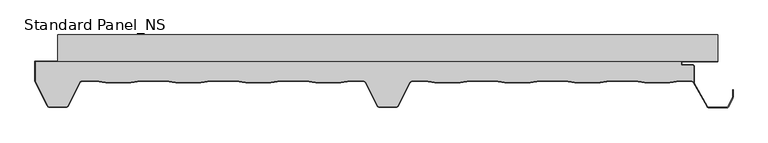
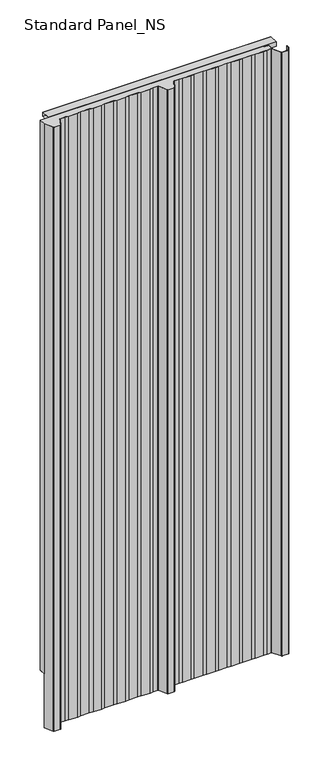
"""IFC4 building model written with IfcOpenShell, lengths in millimetres: proxy geometry, Standard Panel_NS."""

from ifc_helpers import new_model, si_unit, point, frame, frame_2d, origin, origin_with_axes, place, context, project, spatial, polyline, circle_curve, trimmed, segment, composite_curve, outline, extrude, source, transform, mapped, element, save


def standard_panel_ns_e2a60b35(model_context):
    return source(origin(), model_context, "Body", "SweptSolid", [
        extrude(outline(polyline([(-40.0, 0.0), (-40.0, 20.0), (0.0, 20.0), (0.0, 0.0), (-40.0, 0.0)]), holes=[polyline([(-0.9, 19.1), (-39.1, 19.1), (-39.1, 0.9), (-0.9, 0.9), (-0.9, 19.1)])]), frame((-499.5000907, 0.0, 0.0), z_axis=(1.0, 0.0, 0.0), x_axis=(0.0, 1.0, 0.0)), (0.0, 0.0, 1.0), 999.5000907),
        extrude(outline(polyline([(-40.0, 2549.5097568), (0.0, 2549.5097568), (0.0, 2529.5097568), (-40.0, 2529.5097568), (-40.0, 2549.5097568)]), holes=[polyline([(-0.9, 2548.6097568), (-39.1, 2548.6097568), (-39.1, 2530.4097568), (-0.9, 2530.4097568), (-0.9, 2548.6097568)])]), frame((-500.0, 0.0, 0.0), z_axis=(1.0, 0.0, 0.0), x_axis=(0.0, 1.0, 0.0)), (0.0, 0.0, 1.0), 1000.0),
        extrude(outline(composite_curve([segment(polyline([(463.3333678, -47.9776976), (463.3333678, -71.2827781)]), True, "CONTINUOUS"), segment(trimmed(circle_curve(frame_2d((460.1791882, -73.4020117)), 3.8), [point((463.3333678, -71.2827781))], [point((460.2255768, -69.6022949))], True, "CARTESIAN"), True, "CONTINUOUS"), segment(polyline([(460.2255768, -69.6022949), (442.3850007, -69.6022949), (427.5232716, -71.4), (389.5003906, -71.4), (374.6528383, -69.6040097), (336.3708239, -69.6040097), (321.5232716, -71.4), (283.5003906, -71.4), (268.6670151, -69.6057246), (230.356647, -69.6057246), (215.5232716, -71.4), (177.5003906, -71.4), (162.6811919, -69.6074394), (124.3424702, -69.6074394), (109.5232716, -71.4), (71.5003906, -71.4), (56.6929307, -69.6088594), (36.8490422, -69.6088594)]), True, "CONTINUOUS"), segment(trimmed(circle_curve(frame_2d((36.8490422, -73.4088594)), 3.8), [point((36.8490422, -69.6088594))], [point((33.4515652, -71.7067576))], True, "CARTESIAN"), True, "CONTINUOUS"), segment(polyline([(33.4515652, -71.7067576), (15.1133281, -107.389061)]), True, "CONTINUOUS"), segment(trimmed(circle_curve(frame_2d((13.1431912, -106.41)), 2.2), [point((15.1133281, -107.389061))], [point((13.1431912, -108.61))], False, "CARTESIAN"), True, "CONTINUOUS"), segment(polyline([(13.1431912, -108.61), (-13.1465337, -108.61)]), True, "CONTINUOUS"), segment(trimmed(circle_curve(frame_2d((-13.1465337, -106.41)), 2.2), [point((-13.1465337, -108.61))], [point((-15.1166702, -107.3890619))], False, "CARTESIAN"), True, "CONTINUOUS"), segment(polyline([(-15.1166702, -107.3890619), (-33.4593215, -71.697919)]), True, "CONTINUOUS"), segment(trimmed(circle_curve(frame_2d((-36.856799, -73.4000196)), 3.8), [point((-33.4593215, -71.697919))], [point((-36.856799, -69.6000196))], True, "CARTESIAN"), True, "CONTINUOUS"), segment(polyline([(-36.856799, -69.6000196), (-56.6231947, -69.6000196), (-71.5037331, -71.4), (-109.5266141, -71.4), (-124.4071525, -69.6000196), (-162.6231947, -69.6000196), (-177.5037331, -71.4), (-215.5266141, -71.4), (-230.4071525, -69.6000196), (-268.6231947, -69.6000196), (-283.5037331, -71.4), (-321.5266141, -71.4), (-336.4071525, -69.6000196), (-374.6231947, -69.6000196), (-389.5037331, -71.4), (-427.5266141, -71.4), (-442.4071525, -69.6000196), (-463.5629534, -69.6000196)]), True, "CONTINUOUS"), segment(trimmed(circle_curve(frame_2d((-463.5629534, -73.4000196)), 3.8), [point((-463.5629534, -69.6000196))], [point((-466.9621881, -71.7014308))], True, "CARTESIAN"), True, "CONTINUOUS"), segment(polyline([(-466.9621881, -71.7014308), (-484.8632284, -107.3198221)]), True, "CONTINUOUS"), segment(trimmed(circle_curve(frame_2d((-486.83184, -106.3376976)), 2.2), [point((-484.8632284, -107.3198221))], [point((-486.83184, -108.5376976))], False, "CARTESIAN"), True, "CONTINUOUS"), segment(polyline([(-486.83184, -108.5376976), (-513.1679785, -108.5376976)]), True, "CONTINUOUS"), segment(trimmed(circle_curve(frame_2d((-513.1679785, -106.3376976)), 2.2), [point((-513.1679785, -108.5376976))], [point((-515.1468491, -107.2989838))], False, "CARTESIAN"), True, "CONTINUOUS"), segment(polyline([(-515.1468491, -107.2989838), (-533.8689812, -69.987751), (-533.8689812, -40.8776976), (444.4044996, -40.8776976), (444.4044996, -45.8776976), (461.2333678, -45.8776976)]), True, "CONTINUOUS"), segment(trimmed(circle_curve(frame_2d((461.2333678, -47.9776976)), 2.1), [point((461.2333678, -45.8776976))], [point((463.3333678, -47.9776976))], False, "CARTESIAN"), True, "CONTINUOUS")], self_intersect=False)), origin_with_axes(), (0.0, 0.0, 1.0), 2549.5097568),
        extrude(outline(composite_curve([segment(polyline([(-321.5748232, -72.2), (-336.4553616, -70.4000196), (-374.5749856, -70.4000196), (-389.455524, -72.2), (-427.5748232, -72.2), (-442.4553616, -70.4000196), (-463.5629534, -70.4000196)]), True, "CONTINUOUS"), segment(trimmed(circle_curve(frame_2d((-463.5629534, -73.4000196)), 3.0), [point((-463.5629534, -70.4000196))], [point((-466.2469048, -72.0597193))], True, "CARTESIAN"), True, "CONTINUOUS"), segment(polyline([(-466.2469048, -72.0597193), (-484.1478886, -107.7003003)]), True, "CONTINUOUS"), segment(trimmed(circle_curve(frame_2d((-486.83184, -106.36)), 3.0), [point((-484.1478886, -107.7003003))], [point((-486.83184, -109.36))], False, "CARTESIAN"), True, "CONTINUOUS"), segment(polyline([(-486.83184, -109.36), (-513.1679785, -109.36)]), True, "CONTINUOUS"), segment(trimmed(circle_curve(frame_2d((-513.1679785, -106.36)), 3.0), [point((-513.1679785, -109.36))], [point((-515.8640556, -107.6757386))], False, "CARTESIAN"), True, "CONTINUOUS"), segment(polyline([(-515.8640556, -107.6757386), (-534.7689812, -69.9776976), (-533.8740229, -69.9776976), (-515.1468491, -107.3212862)]), True, "CONTINUOUS"), segment(trimmed(circle_curve(frame_2d((-513.1679785, -106.36)), 2.2), [point((-515.1468491, -107.3212862))], [point((-513.1679785, -108.56))], True, "CARTESIAN"), True, "CONTINUOUS"), segment(polyline([(-513.1679785, -108.56), (-486.83184, -108.56)]), True, "CONTINUOUS"), segment(trimmed(circle_curve(frame_2d((-486.83184, -106.36)), 2.2), [point((-486.83184, -108.56))], [point((-484.8632284, -107.3421244))], True, "CARTESIAN"), True, "CONTINUOUS"), segment(polyline([(-484.8632284, -107.3421244), (-466.9621881, -71.7014308)]), True, "CONTINUOUS"), segment(trimmed(circle_curve(frame_2d((-463.5629534, -73.4000196)), 3.8), [point((-466.9621881, -71.7014308))], [point((-463.5629534, -69.6000196))], False, "CARTESIAN"), True, "CONTINUOUS"), segment(polyline([(-463.5629534, -69.6000196), (-442.4071525, -69.6000196), (-427.5266141, -71.4), (-389.5037331, -71.4), (-374.6231947, -69.6000196), (-336.4071525, -69.6000196), (-321.5266141, -71.4), (-283.5037331, -71.4), (-268.6231947, -69.6000196), (-230.4071525, -69.6000196), (-215.5266141, -71.4), (-177.5037331, -71.4), (-162.6231947, -69.6000196), (-124.4071525, -69.6000196), (-109.5266141, -71.4), (-71.5037331, -71.4), (-56.6231947, -69.6000196), (-36.856799, -69.6000196)]), True, "CONTINUOUS"), segment(trimmed(circle_curve(frame_2d((-36.856799, -73.4000196)), 3.8), [point((-36.856799, -69.6000196))], [point((-33.4593215, -71.697919))], False, "CARTESIAN"), True, "CONTINUOUS"), segment(polyline([(-33.4593215, -71.697919), (-15.1166702, -107.3890619)]), True, "CONTINUOUS"), segment(trimmed(circle_curve(frame_2d((-13.1465337, -106.41)), 2.2), [point((-15.1166702, -107.3890619))], [point((-13.1465337, -108.61))], True, "CARTESIAN"), True, "CONTINUOUS"), segment(polyline([(-13.1465337, -108.61), (13.1431912, -108.61)]), True, "CONTINUOUS"), segment(trimmed(circle_curve(frame_2d((13.1431912, -106.41)), 2.2), [point((13.1431912, -108.61))], [point((15.1133281, -107.389061))], True, "CARTESIAN"), True, "CONTINUOUS"), segment(polyline([(15.1133281, -107.389061), (33.4515652, -71.7067576)]), True, "CONTINUOUS"), segment(trimmed(circle_curve(frame_2d((36.8490422, -73.4088594)), 3.8), [point((33.4515652, -71.7067576))], [point((36.8490422, -69.6088594))], False, "CARTESIAN"), True, "CONTINUOUS"), segment(polyline([(36.8490422, -69.6088594), (56.6929307, -69.6088594), (71.5003906, -71.4), (109.5232716, -71.4), (124.3424702, -69.6074394), (162.6811919, -69.6074394), (177.5003906, -71.4), (215.5232716, -71.4), (230.356647, -69.6057246), (268.6670151, -69.6057246), (283.5003906, -71.4), (321.5232716, -71.4), (336.3708239, -69.6040097), (374.6528383, -69.6040097), (389.5003906, -71.4), (427.5232716, -71.4), (442.3850007, -69.6022949), (460.1327996, -69.6022949)]), True, "CONTINUOUS"), segment(trimmed(circle_curve(frame_2d((460.1791882, -73.4020117)), 3.8), [point((460.1327996, -69.6022949))], [point((463.5049669, -71.5637527))], False, "CARTESIAN"), True, "CONTINUOUS"), segment(polyline([(463.5049669, -71.5637527), (484.4077107, -108.4591287)]), True, "CONTINUOUS"), segment(trimmed(circle_curve(frame_2d((486.3366684, -107.401243)), 2.2), [point((484.4077107, -108.4591287))], [point((486.3366684, -109.601243))], True, "CARTESIAN"), True, "CONTINUOUS"), segment(polyline([(486.3366684, -109.601243), (513.6856739, -109.601243)]), True, "CONTINUOUS"), segment(trimmed(circle_curve(frame_2d((513.6856739, -107.401243)), 2.2), [point((513.6856739, -109.601243))], [point((515.6539049, -108.3841299))], True, "CARTESIAN"), True, "CONTINUOUS"), segment(polyline([(515.6539049, -108.3841299), (522.1830897, -95.3094373)]), True, "CONTINUOUS"), segment(trimmed(circle_curve(frame_2d((520.2148587, -94.3265504)), 2.2), [point((522.1830897, -95.3094373))], [point((522.4148587, -94.3265504))], True, "CARTESIAN"), True, "CONTINUOUS"), segment(polyline([(522.4148587, -94.3265504), (522.4148587, -82.8571101), (523.2148587, -82.8571101), (523.2148587, -94.3265504)]), True, "CONTINUOUS"), segment(trimmed(circle_curve(frame_2d((520.2148587, -94.3265504)), 3.0), [point((523.2148587, -94.3265504))], [point((522.8988101, -95.6668507))], False, "CARTESIAN"), True, "CONTINUOUS"), segment(polyline([(522.8988101, -95.6668507), (516.3696253, -108.7415434)]), True, "CONTINUOUS"), segment(trimmed(circle_curve(frame_2d((513.6856739, -107.401243)), 3.0), [point((516.3696253, -108.7415434))], [point((513.6856739, -110.401243))], False, "CARTESIAN"), True, "CONTINUOUS"), segment(polyline([(513.6856739, -110.401243), (486.3366684, -110.401243)]), True, "CONTINUOUS"), segment(trimmed(circle_curve(frame_2d((486.3366684, -107.401243)), 3.0), [point((486.3366684, -110.401243))], [point((483.709141, -108.8490344))], False, "CARTESIAN"), True, "CONTINUOUS"), segment(polyline([(483.709141, -108.8490344), (462.8067156, -71.9542204)]), True, "CONTINUOUS"), segment(trimmed(circle_curve(frame_2d((460.1791882, -73.4020117)), 3.0), [point((462.8067156, -71.9542204))], [point((460.137971, -70.4022949))], True, "CARTESIAN"), True, "CONTINUOUS"), segment(polyline([(460.137971, -70.4022949), (442.4332098, -70.4022949), (427.5714807, -72.2), (389.4521815, -72.2), (374.6046292, -70.4040097), (336.419033, -70.4040097), (321.5714807, -72.2), (283.4521815, -72.2), (268.618806, -70.4057246), (230.4048562, -70.4057246), (215.5714807, -72.2), (177.4521815, -72.2), (162.6329828, -70.4074394), (124.3906793, -70.4074394), (109.5714807, -72.2), (71.4521815, -72.2), (56.6447216, -70.4088594), (36.8490422, -70.4088594)]), True, "CONTINUOUS"), segment(trimmed(circle_curve(frame_2d((36.8490422, -73.4088594)), 3.0), [point((36.8490422, -70.4088594))], [point((34.1650908, -72.0685591))], True, "CARTESIAN"), True, "CONTINUOUS"), segment(polyline([(34.1650908, -72.0685591), (15.8271426, -107.7503003)]), True, "CONTINUOUS"), segment(trimmed(circle_curve(frame_2d((13.1431912, -106.41)), 3.0), [point((15.8271426, -107.7503003))], [point((13.1431912, -109.41))], False, "CARTESIAN"), True, "CONTINUOUS"), segment(polyline([(13.1431912, -109.41), (-13.1465337, -109.41)]), True, "CONTINUOUS"), segment(trimmed(circle_curve(frame_2d((-13.1465337, -106.41)), 3.0), [point((-13.1465337, -109.41))], [point((-15.8304851, -107.7503003))], False, "CARTESIAN"), True, "CONTINUOUS"), segment(polyline([(-15.8304851, -107.7503003), (-34.1728476, -72.0597193)]), True, "CONTINUOUS"), segment(trimmed(circle_curve(frame_2d((-36.856799, -73.4000196)), 3.0), [point((-34.1728476, -72.0597193))], [point((-36.856799, -70.4000196))], True, "CARTESIAN"), True, "CONTINUOUS"), segment(polyline([(-36.856799, -70.4000196), (-56.5749856, -70.4000196), (-71.455524, -72.2), (-109.5748232, -72.2), (-124.4553616, -70.4000196), (-162.5749856, -70.4000196), (-177.455524, -72.2), (-215.5748232, -72.2), (-230.4553616, -70.4000196), (-268.5749856, -70.4000196), (-283.455524, -72.2), (-321.5748232, -72.2)]), True, "CONTINUOUS")], self_intersect=False)), frame((0.0, 0.0, -250.0), z_axis=(0.0, 0.0, 1.0), x_axis=(1.0, 0.0, 0.0)), (0.0, 0.0, 1.0), 2799.5097568),
        extrude(outline(composite_curve([segment(polyline([(-534.7689812, -69.9776976), (-534.7689812, -40.0), (445.3044996, -40.0), (445.3044996, -45.0), (461.2333678, -45.0)]), True, "CONTINUOUS"), segment(trimmed(circle_curve(frame_2d((461.2333678, -48.0)), 3.0), [point((461.2333678, -45.0))], [point((464.2333678, -48.0))], False, "CARTESIAN"), True, "CONTINUOUS"), segment(polyline([(464.2333678, -48.0), (464.2333678, -72.8494512), (463.3333678, -71.2827781), (463.3333678, -48.0)]), True, "CONTINUOUS"), segment(trimmed(circle_curve(frame_2d((461.2333678, -48.0)), 2.1), [point((463.3333678, -48.0))], [point((461.2333678, -45.9))], True, "CARTESIAN"), True, "CONTINUOUS"), segment(polyline([(461.2333678, -45.9), (444.4044996, -45.9), (444.4044996, -40.9), (-533.8689812, -40.9), (-533.8689812, -69.9776976), (-534.7689812, -69.9776976)]), True, "CONTINUOUS")], self_intersect=False)), origin_with_axes(), (0.0, 0.0, 1.0), 2549.5097568),
    ])


if __name__ == "__main__":
    model = new_model("IFC4")
    model_context = context("Model", 3, world=origin())
    ifc_project = project(units=[si_unit("LENGTHUNIT", "METRE", prefix="MILLI")], contexts=[model_context])
    site = spatial("IfcSite", under=ifc_project)
    building = spatial("IfcBuilding", under=site)
    placement = place(None, origin())
    standard_panel_ns_shape = standard_panel_ns_e2a60b35(model_context)
    element("IfcBuildingElementProxy", 1, Name="Standard Panel_NS", ObjectType="Standard Panel_NS", at=placement, inside=building, context=model_context, shape_type="MappedRepresentation", body=[
        mapped(standard_panel_ns_shape, transform((0.0, 0.0, 0.0), x_axis=(1.0, 0.0, 0.0), y_axis=(0.0, 1.0, 0.0), z_axis=(0.0, 0.0, 1.0))),
    ])
    save(model, "model.ifc")
